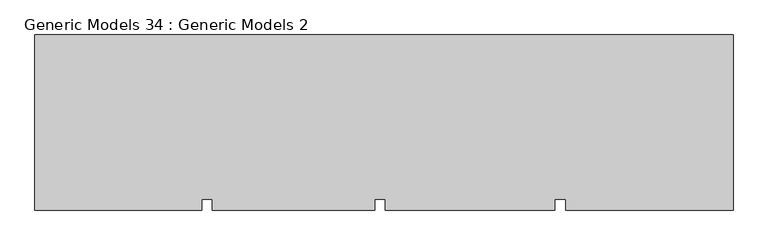
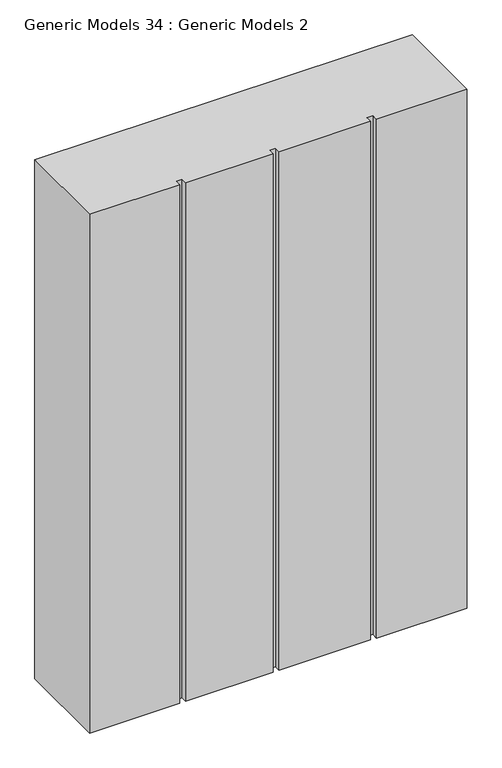
"""IFC4 building model written with IfcOpenShell, lengths in millimetres: proxy geometry, Generic Models 34 : Generic Models 2."""

from ifc_helpers import new_model, si_unit, frame, origin, place, context, project, spatial, polyline, outline, extrude, source, transform, mapped, element, save


def generic_models_34_generic_models_2_65eebbcd(model_context):
    return source(origin(), model_context, "Body", "SweptSolid", [
        extrude(outline(polyline([(2231.7164352, -19881.5060032), (2231.7164352, -20368.5482183), (1767.3070227, -20368.5482183), (1767.3070227, -20336.9057177), (1737.2735899, -20336.9057177), (1737.2735899, -20368.5482183), (1267.3070227, -20368.5482183), (1267.3070227, -20336.9057177), (1237.2735899, -20336.9057177), (1237.2735899, -20368.5482183), (787.3070227, -20368.5482183), (787.3070227, -20336.9057177), (757.2735899, -20336.9057177), (757.2735899, -20368.5482183), (295.0243952, -20368.5482183), (295.0243952, -19881.5060032), (2231.7164352, -19881.5060032)])), frame((0.0, 0.0, 14905.5257027), z_axis=(0.0, 0.0, 1.0), x_axis=(1.0, 0.0, 0.0)), (0.0, 0.0, 1.0), 2811.95113),
    ])


if __name__ == "__main__":
    model = new_model("IFC4")
    model_context = context("Model", 3, world=origin())
    ifc_project = project(units=[si_unit("LENGTHUNIT", "METRE", prefix="MILLI")], contexts=[model_context])
    site = spatial("IfcSite", under=ifc_project)
    building = spatial("IfcBuilding", under=site)
    placement = place(None, origin())
    generic_models_34_generic_models_2_shape = generic_models_34_generic_models_2_65eebbcd(model_context)
    element("IfcBuildingElementProxy", 1, Name="Generic Models 34 : Generic Models 2", ObjectType="Generic Models 34 : Generic Models 2", at=placement, inside=building, context=model_context, shape_type="MappedRepresentation", body=[
        mapped(generic_models_34_generic_models_2_shape, transform((0.0, 0.0, 0.0), x_axis=(1.0, 0.0, 0.0), y_axis=(0.0, 1.0, 0.0), z_axis=(0.0, 0.0, 1.0))),
    ])
    save(model, "model.ifc")
